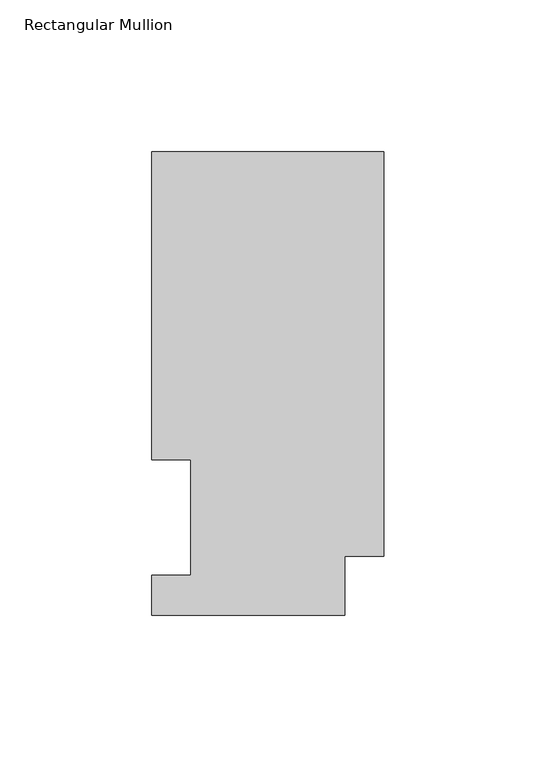
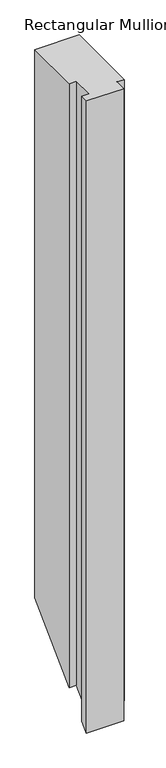
"""IFC4 building model written with IfcOpenShell, lengths in millimetres: member geometry, Rectangular Mullion."""

from ifc_helpers import new_model, si_unit, origin, place, context, project, spatial, faceted_brep, source, transform, mapped, element, save


def rectangular_mullion_eae0073d(model_context):
    return source(origin(), model_context, "Body", "Brep", [
        faceted_brep([(-76.2, 13.1960938, 0.0), (-76.2, 0.0134938, 0.0), (-12.7, 0.0134938, 0.0), (-12.7, 19.5460937, 0.0), (0.0, 19.5460937, 0.0), (0.0, 152.4896938, 0.0), (-76.2, 152.4896938, 0.0), (-76.2, 51.2960938, 0.0), (-63.5127, 51.2960938, 0.0), (-63.5127, 13.1960938, 0.0), (-76.2, 13.1960938, -1129.8174), (-76.2, 0.0134938, -1143.0), (-12.7, 0.0134938, -1143.0), (-12.7, 19.5460937, -1123.4674), (0.0, 19.5460937, -1123.4674), (0.0, 152.4896938, -990.5238), (-76.2, 152.4896938, -990.5238), (-76.2, 51.2960938, -1091.7174), (-63.5127, 51.2960938, -1091.7174), (-63.5127, 13.1960938, -1129.8174)], [[[0, 1, 2, 3, 4, 5, 6, 7, 8, 9]], [[1, 0, 10, 11]], [[2, 1, 11, 12]], [[3, 2, 12, 13]], [[4, 3, 13, 14]], [[5, 4, 14, 15]], [[6, 5, 15, 16]], [[7, 6, 16, 17]], [[8, 7, 17, 18]], [[9, 8, 18, 19]], [[0, 9, 19, 10]], [[10, 19, 18, 17, 16, 15, 14, 13, 12, 11]]]),
    ])


if __name__ == "__main__":
    model = new_model("IFC4")
    model_context = context("Model", 3, world=origin())
    ifc_project = project(units=[si_unit("LENGTHUNIT", "METRE", prefix="MILLI")], contexts=[model_context])
    site = spatial("IfcSite", under=ifc_project)
    building = spatial("IfcBuilding", under=site)
    placement = place(None, origin())
    rectangular_mullion_shape = rectangular_mullion_eae0073d(model_context)
    element("IfcMember", 1, ObjectType="Rectangular Mullion", at=placement, inside=building, context=model_context, shape_type="MappedRepresentation", body=[
        mapped(rectangular_mullion_shape, transform((0.0, 0.0, 0.0), x_axis=(1.0, 0.0, 0.0), y_axis=(0.0, 1.0, 0.0), z_axis=(0.0, 0.0, 1.0))),
    ])
    save(model, "model.ifc")
